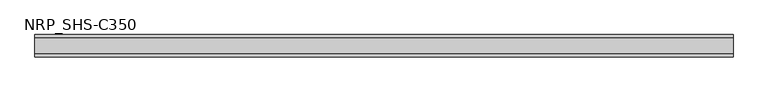
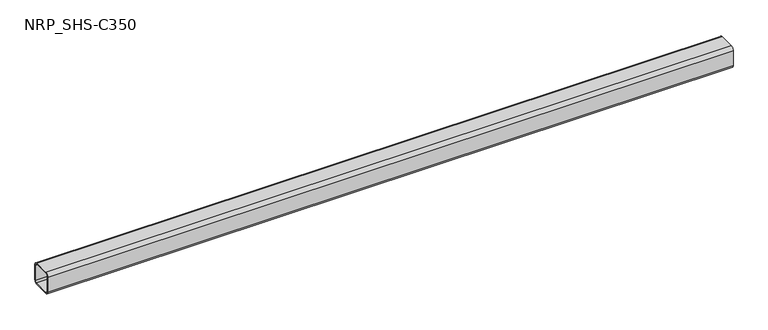
"""IFC4 building model written with IfcOpenShell, lengths in millimetres: member geometry, NRP_SHS-C350."""

from ifc_helpers import new_model, si_unit, point, frame, frame_2d, origin, place, context, project, spatial, polyline, circle_curve, trimmed, segment, composite_curve, outline, extrude, source, transform, mapped, element, save


def nrp_shs_c350_1769cc2f(model_context):
    return source(origin(), model_context, "Body", "SweptSolid", [
        extrude(outline(composite_curve([segment(trimmed(circle_curve(frame_2d((-32.0, 32.0)), 12.5), [point((-44.5, 32.0))], [point((-32.0, 44.5))], False, "CARTESIAN"), True, "CONTINUOUS"), segment(polyline([(-32.0, 44.5), (32.0, 44.5)]), True, "CONTINUOUS"), segment(trimmed(circle_curve(frame_2d((32.0, 32.0)), 12.5), [point((32.0, 44.5))], [point((44.5, 32.0))], False, "CARTESIAN"), True, "CONTINUOUS"), segment(polyline([(44.5, 32.0), (44.5, -32.0)]), True, "CONTINUOUS"), segment(trimmed(circle_curve(frame_2d((32.0, -32.0)), 12.5), [point((44.5, -32.0))], [point((32.0, -44.5))], False, "CARTESIAN"), True, "CONTINUOUS"), segment(polyline([(32.0, -44.5), (-32.0, -44.5)]), True, "CONTINUOUS"), segment(trimmed(circle_curve(frame_2d((-32.0, -32.0)), 12.5), [point((-32.0, -44.5))], [point((-44.5, -32.0))], False, "CARTESIAN"), True, "CONTINUOUS"), segment(polyline([(-44.5, -32.0), (-44.5, 32.0)]), True, "CONTINUOUS")], self_intersect=False), holes=[composite_curve([segment(polyline([(32.0, 39.5), (-32.0, 39.5)]), True, "CONTINUOUS"), segment(trimmed(circle_curve(frame_2d((-32.0, 32.0)), 7.5), [point((-32.0, 39.5))], [point((-39.5, 32.0))], True, "CARTESIAN"), True, "CONTINUOUS"), segment(polyline([(-39.5, 32.0), (-39.5, -32.0)]), True, "CONTINUOUS"), segment(trimmed(circle_curve(frame_2d((-32.0, -32.0)), 7.5), [point((-39.5, -32.0))], [point((-32.0, -39.5))], True, "CARTESIAN"), True, "CONTINUOUS"), segment(polyline([(-32.0, -39.5), (32.0, -39.5)]), True, "CONTINUOUS"), segment(trimmed(circle_curve(frame_2d((32.0, -32.0)), 7.5), [point((32.0, -39.5))], [point((39.5, -32.0))], True, "CARTESIAN"), True, "CONTINUOUS"), segment(polyline([(39.5, -32.0), (39.5, 32.0)]), True, "CONTINUOUS"), segment(trimmed(circle_curve(frame_2d((32.0, 32.0)), 7.5), [point((39.5, 32.0))], [point((32.0, 39.5))], True, "CARTESIAN"), True, "CONTINUOUS")], self_intersect=False)]), frame((-1383.0, 0.0, 0.0), z_axis=(1.0, 0.0, 0.0), x_axis=(0.0, 1.0, 0.0)), (0.0, 0.0, 1.0), 2755.0),
    ])


if __name__ == "__main__":
    model = new_model("IFC4")
    model_context = context("Model", 3, world=origin())
    ifc_project = project(units=[si_unit("LENGTHUNIT", "METRE", prefix="MILLI")], contexts=[model_context])
    site = spatial("IfcSite", under=ifc_project)
    building = spatial("IfcBuilding", under=site)
    placement = place(None, origin())
    nrp_shs_c350_shape = nrp_shs_c350_1769cc2f(model_context)
    element("IfcMember", 1, ObjectType="NRP_SHS-C350", at=placement, inside=building, context=model_context, shape_type="MappedRepresentation", body=[
        mapped(nrp_shs_c350_shape, transform((0.0, 0.0, 0.0), x_axis=(1.0, 0.0, 0.0), y_axis=(0.0, 1.0, 0.0), z_axis=(0.0, 0.0, 1.0))),
    ])
    save(model, "model.ifc")
